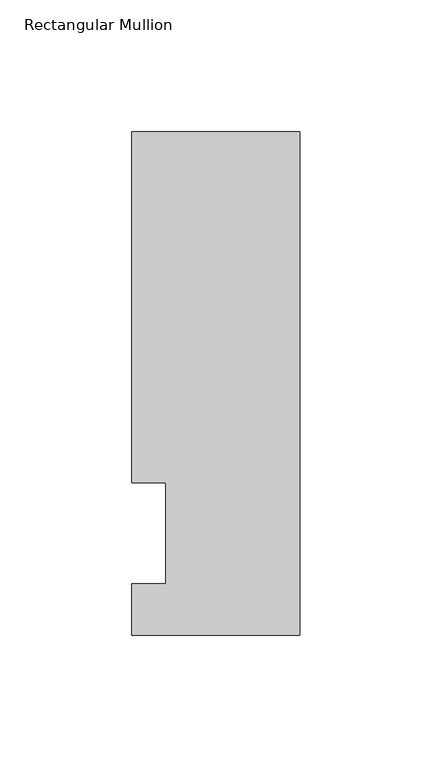
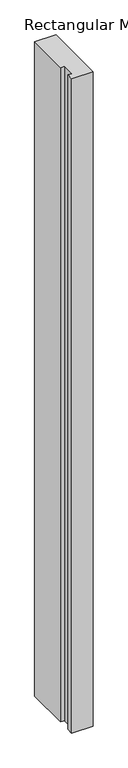
"""IFC4 building model written with IfcOpenShell, lengths in millimetres: member geometry, Rectangular Mullion."""

from ifc_helpers import new_model, si_unit, frame, origin, place, context, project, spatial, polyline, outline, extrude, source, transform, mapped, element, save


def rectangular_mullion_be2ae747(model_context):
    return source(origin(), model_context, "Body", "SweptSolid", [
        extrude(outline(polyline([(31.75, 190.5896938), (31.75, 0.0134938), (-31.75, 0.0134938), (-31.75, 19.5460937), (-19.05, 19.5460937), (-19.05, 57.6460937), (-31.75, 57.6460937), (-31.75, 190.5896938), (31.75, 190.5896938)])), frame((0.0, 0.0, -2057.4), z_axis=(0.0, 0.0, 1.0), x_axis=(1.0, 0.0, 0.0)), (0.0, 0.0, 1.0), 2057.4),
    ])


if __name__ == "__main__":
    model = new_model("IFC4")
    model_context = context("Model", 3, world=origin())
    ifc_project = project(units=[si_unit("LENGTHUNIT", "METRE", prefix="MILLI")], contexts=[model_context])
    site = spatial("IfcSite", under=ifc_project)
    building = spatial("IfcBuilding", under=site)
    placement = place(None, origin())
    rectangular_mullion_shape = rectangular_mullion_be2ae747(model_context)
    element("IfcMember", 1, ObjectType="Rectangular Mullion", at=placement, inside=building, context=model_context, shape_type="MappedRepresentation", body=[
        mapped(rectangular_mullion_shape, transform((0.0, 0.0, 0.0), x_axis=(1.0, 0.0, 0.0), y_axis=(0.0, 1.0, 0.0), z_axis=(0.0, 0.0, 1.0))),
    ])
    save(model, "model.ifc")
